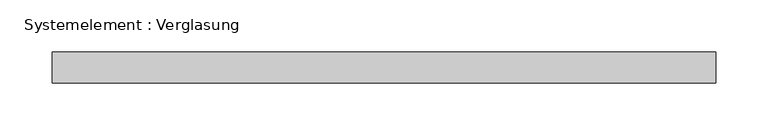
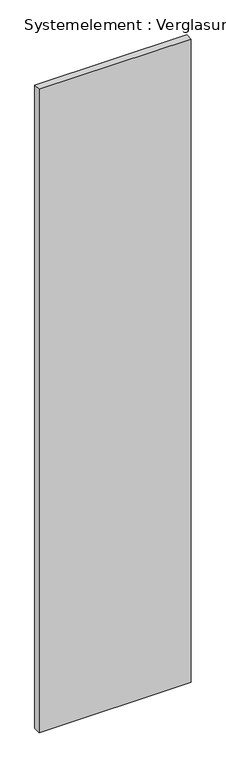
"""IFC4 building model written with IfcOpenShell, lengths in millimetres: plate geometry, Systemelement : Verglasung."""

from ifc_helpers import new_model, si_unit, origin, origin_with_axes, place, context, project, spatial, polyline, outline, extrude, source, transform, mapped, element, save


def systemelement_verglasung_d5d249b3(model_context):
    return source(origin(), model_context, "Body", "SweptSolid", [
        extrude(outline(polyline([(317.9763691, -15.0), (-317.9763691, -15.0), (-317.9763691, 15.0), (317.9763691, 15.0), (317.9763691, -15.0)])), origin_with_axes(), (0.0, 0.0, 1.0), 2840.0),
    ])


if __name__ == "__main__":
    model = new_model("IFC4")
    model_context = context("Model", 3, world=origin())
    ifc_project = project(units=[si_unit("LENGTHUNIT", "METRE", prefix="MILLI")], contexts=[model_context])
    site = spatial("IfcSite", under=ifc_project)
    building = spatial("IfcBuilding", under=site)
    placement = place(None, origin())
    systemelement_verglasung_shape = systemelement_verglasung_d5d249b3(model_context)
    element("IfcPlate", 1, ObjectType="Systemelement : Verglasung", at=placement, inside=building, context=model_context, shape_type="MappedRepresentation", body=[
        mapped(systemelement_verglasung_shape, transform((0.0, 0.0, 0.0), x_axis=(1.0, 0.0, 0.0), y_axis=(0.0, 1.0, 0.0), z_axis=(0.0, 0.0, 1.0))),
    ])
    save(model, "model.ifc")
